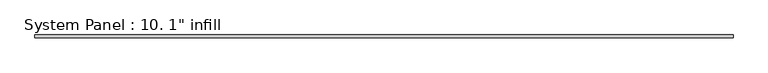
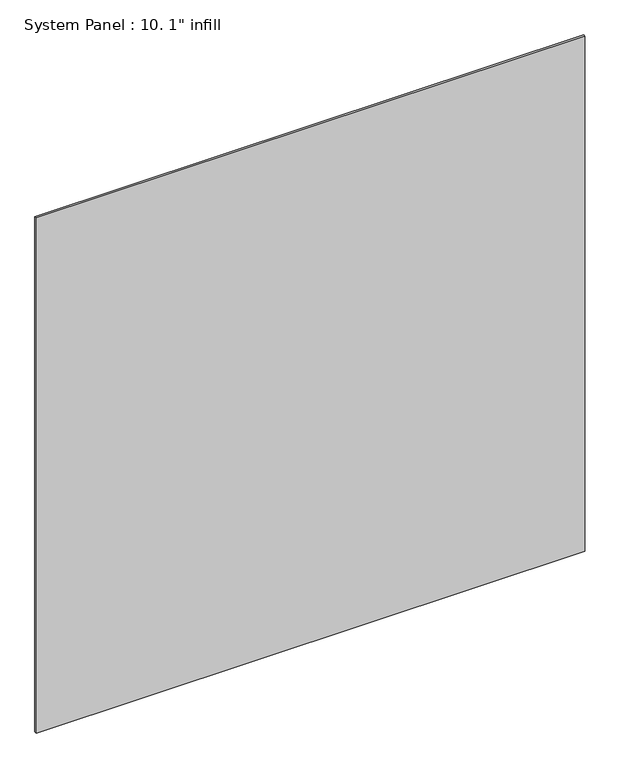
"""IFC4 building model written with IfcOpenShell, lengths in millimetres: plate geometry."""

import ifcopenshell
import ifcopenshell.guid

model = None  # the IFC model being written
_history = None  # IfcOwnerHistory: only IFC2X3 demands one
_inside = {}  # id of a spatial element -> (the spatial element, [elements in it])
_under = {}  # id of a project, library or spatial element -> (it, [spatial elements below it])
_declared = {}  # id of a project -> (the project, [libraries it declares])
_typed = {}  # id of a type object -> (the type object, [elements of that type])
_made_of = {}  # id of a material, layer set ... -> (it, [elements and type objects made of it])


def new_model(schema):
    """Start an empty IFC model of exactly this schema.

    Asked for "IFC4X3", IfcOpenShell would pick the latest addendum, in which some entities
    have other attributes; the version numbers below select the first issue.
    IFC2X3 requires an IfcOwnerHistory on every rooted entity: one is made here for all.
    """
    global model, _history
    if schema == "IFC4X3":
        model = ifcopenshell.file(schema_version=(4, 3, 0, 0))
    else:
        model = ifcopenshell.file(schema=schema)
    _inside.clear()
    _under.clear()
    _declared.clear()
    _typed.clear()
    _made_of.clear()
    _history = None
    if model.schema == "IFC2X3":
        org = make("IfcOrganization", Name="unknown")
        user = make(
            "IfcPersonAndOrganization",
            ThePerson=make("IfcPerson", FamilyName="unknown"),
            TheOrganization=org,
        )
        app = make(
            "IfcApplication",
            ApplicationDeveloper=org,
            Version="unknown",
            ApplicationFullName="unknown",
            ApplicationIdentifier="unknown",
        )
        _history = make(
            "IfcOwnerHistory",
            OwningUser=user,
            OwningApplication=app,
            ChangeAction="ADDED",
            CreationDate=0,
        )
    return model


def make(cls, **values):
    """One entity of the class cls with the attributes given. An attribute that is None is left unset."""
    return model.create_entity(
        cls, **{name: value for name, value in values.items() if value is not None}
    )


def rooted(cls, **values):
    """An entity with a GlobalId (a new one), such as an element, a storey or a relation."""
    return make(cls, GlobalId=ifcopenshell.guid.new(), OwnerHistory=_history, **values)


def si_unit(unit_type, name, prefix=None):
    """IfcSIUnit, for example si_unit("LENGTHUNIT", "METRE", prefix="MILLI")."""
    return make("IfcSIUnit", UnitType=unit_type, Prefix=prefix, Name=name)


def assignment(units):
    """IfcUnitAssignment: the units of a project."""
    return None if units is None else make("IfcUnitAssignment", Units=units)


def point(xyz):
    """IfcCartesianPoint."""
    return None if xyz is None else make("IfcCartesianPoint", Coordinates=xyz)


def direction(xyz):
    """IfcDirection."""
    return None if xyz is None else make("IfcDirection", DirectionRatios=xyz)


def frame(location, z_axis=None, x_axis=None):
    """IfcAxis2Placement3D, a coordinate frame: its origin and axes. An axis left out is left unset."""
    return make(
        "IfcAxis2Placement3D",
        Location=point(location),
        Axis=direction(z_axis),
        RefDirection=direction(x_axis),
    )


def origin():
    """The frame at (0, 0, 0) with its axes left unset."""
    return frame((0.0, 0.0, 0.0))


def origin_with_axes():
    """The frame at (0, 0, 0) with the z axis (0, 0, 1) and the x axis (1, 0, 0) written out."""
    return frame((0.0, 0.0, 0.0), z_axis=(0.0, 0.0, 1.0), x_axis=(1.0, 0.0, 0.0))


def place(relative_to, where):
    """IfcLocalPlacement: puts the frame where relative to a parent placement (None: the world)."""
    return make(
        "IfcLocalPlacement", PlacementRelTo=relative_to, RelativePlacement=where
    )


def context(
    kind, dimensions, precision=None, world=None, true_north=None, identifier=None
):
    """IfcGeometricRepresentationContext, for example the 3D "Model" context."""
    return make(
        "IfcGeometricRepresentationContext",
        ContextIdentifier=identifier,
        ContextType=kind,
        CoordinateSpaceDimension=dimensions,
        Precision=precision,
        WorldCoordinateSystem=world,
        TrueNorth=true_north,
    )


def project(units=None, contexts=None):
    """IfcProject with its units and contexts."""
    return rooted(
        "IfcProject",
        Name="project",
        RepresentationContexts=contexts,
        UnitsInContext=assignment(units),
    )


def spatial(cls, under=None, at=None, **own):
    """A site, building, storey or space (cls), placed at a placement, below another one or the project."""
    s = rooted(cls, ObjectPlacement=at, **own)
    if under is not None:
        _under.setdefault(under.id(), (under, []))[1].append(s)
    return s


def polyline(points):
    """IfcPolyline through the points."""
    return make("IfcPolyline", Points=[point(p) for p in points])


def outline(outer, holes=None, kind="AREA"):
    """IfcArbitraryClosedProfileDef: a profile drawn as a closed curve; with holes, ...WithVoids."""
    if holes is None:
        return make("IfcArbitraryClosedProfileDef", ProfileType=kind, OuterCurve=outer)
    return make(
        "IfcArbitraryProfileDefWithVoids",
        ProfileType=kind,
        OuterCurve=outer,
        InnerCurves=holes,
    )


def extrude(swept, where, along, depth):
    """IfcExtrudedAreaSolid: the profile swept, set in the frame where, extruded along a direction by depth."""
    return make(
        "IfcExtrudedAreaSolid",
        SweptArea=swept,
        Position=where,
        ExtrudedDirection=direction(along),
        Depth=depth,
    )


def shape(context_of_items, identifier, shape_type, items):
    """IfcShapeRepresentation: the items that make up one representation, for example the "Body"."""
    return make(
        "IfcShapeRepresentation",
        ContextOfItems=context_of_items,
        RepresentationIdentifier=identifier,
        RepresentationType=shape_type,
        Items=items,
    )


def source(mapping_origin, context_of_items, identifier, shape_type, items):
    """IfcRepresentationMap: a shape defined once, which mapped items show again and again."""
    return make(
        "IfcRepresentationMap",
        MappingOrigin=mapping_origin,
        MappedRepresentation=shape(context_of_items, identifier, shape_type, items),
    )


def transform(
    local_origin,
    x_axis=None,
    y_axis=None,
    z_axis=None,
    scale=None,
    scale2=None,
    scale3=None,
    uniform=True,
):
    """IfcCartesianTransformationOperator3D, or its non-uniform kind. x_axis, y_axis, z_axis: its Axis1, 2, 3."""
    if uniform:
        return make(
            "IfcCartesianTransformationOperator3D",
            Axis1=direction(x_axis),
            Axis2=direction(y_axis),
            LocalOrigin=point(local_origin),
            Scale=scale,
            Axis3=direction(z_axis),
        )
    return make(
        "IfcCartesianTransformationOperator3DnonUniform",
        Axis1=direction(x_axis),
        Axis2=direction(y_axis),
        LocalOrigin=point(local_origin),
        Scale=scale,
        Axis3=direction(z_axis),
        Scale2=scale2,
        Scale3=scale3,
    )


def mapped(mapping_source, mapping_target):
    """IfcMappedItem: shows the shape of a source again, moved by a transform."""
    return make(
        "IfcMappedItem", MappingSource=mapping_source, MappingTarget=mapping_target
    )


def made_of(thing, what):
    """Note that an element or type object is made of a material, layer set ...; save() writes the relation."""
    if what is not None:
        _made_of.setdefault(what.id(), (what, []))[1].append(thing)
    return thing


def element(
    cls,
    number,
    at=None,
    inside=None,
    cuts=None,
    type_object=None,
    material=None,
    context=None,
    identifier="Body",
    shape_type=None,
    held_by="IfcProductDefinitionShape",
    body=None,
    shapes=None,
    **own,
):
    """One element of the class cls, such as IfcWall. Its Tag is "e" and its number.

    at: its placement. inside: the storey or other place that contains it. cuts: it is an
    opening in that element (IfcRelVoidsElement). A single representation is given by context,
    identifier, shape_type and body (its items); several are given by shapes. held_by: the class
    of the entity that holds the representations. save() writes the other relations.
    """
    e = rooted(cls, Tag="e%d" % number, ObjectPlacement=at, **own)
    if body is not None:
        shapes = [shape(context, identifier, shape_type, body)]
    if shapes is not None:
        e.Representation = make(held_by, Representations=shapes)
    if inside is not None:
        _inside.setdefault(inside.id(), (inside, []))[1].append(e)
    if cuts is not None:
        rooted(
            "IfcRelVoidsElement", RelatingBuildingElement=cuts, RelatedOpeningElement=e
        )
    if type_object is not None:
        _typed.setdefault(type_object.id(), (type_object, []))[1].append(e)
    return made_of(e, material)


def aggregate(whole, parts):
    """IfcRelAggregates: a whole, such as a stair, and the parts it consists of."""
    return rooted("IfcRelAggregates", RelatingObject=whole, RelatedObjects=parts)


def save(model, path):
    """Write the relations noted so far, then the file.

    IfcRelAggregates (storeys below a building ...), IfcRelContainedInSpatialStructure (elements
    in a storey), IfcRelDefinesByType, IfcRelAssociatesMaterial and IfcRelDeclares: one each for
    every whole, place, type object, material and project.
    """
    for whole, parts in _under.values():
        aggregate(whole, parts)
    for where, things in _inside.values():
        rooted(
            "IfcRelContainedInSpatialStructure",
            RelatedElements=things,
            RelatingStructure=where,
        )
    for kind, things in _typed.values():
        rooted("IfcRelDefinesByType", RelatedObjects=things, RelatingType=kind)
    for what, things in _made_of.values():
        rooted("IfcRelAssociatesMaterial", RelatedObjects=things, RelatingMaterial=what)
    for by, libraries in _declared.values():
        rooted("IfcRelDeclares", RelatingContext=by, RelatedDefinitions=libraries)
    model.write(path)


def plate_a6ffd11c(model_context):
    return source(origin(), model_context, "Body", "SweptSolid", [
        extrude(outline(polyline([(3023.1490178, -12.7), (-3023.1490178, -12.7), (-3023.1490178, 12.7), (3023.1490178, 12.7), (3023.1490178, -12.7)])), origin_with_axes(), (0.0, 0.0, 1.0), 6000.75),
    ])


if __name__ == "__main__":
    model = new_model("IFC4")
    model_context = context("Model", 3, world=origin())
    ifc_project = project(units=[si_unit("LENGTHUNIT", "METRE", prefix="MILLI")], contexts=[model_context])
    site = spatial("IfcSite", under=ifc_project)
    building = spatial("IfcBuilding", under=site)
    placement = place(None, origin())
    plate_shape = plate_a6ffd11c(model_context)
    element("IfcPlate", 1, ObjectType="System Panel : 10. 1\" infill", at=placement, inside=building, context=model_context, shape_type="MappedRepresentation", body=[
        mapped(plate_shape, transform((0.0, 0.0, 0.0), x_axis=(1.0, 0.0, 0.0), y_axis=(0.0, 1.0, 0.0), z_axis=(0.0, 0.0, 1.0))),
    ])
    save(model, "model.ifc")
